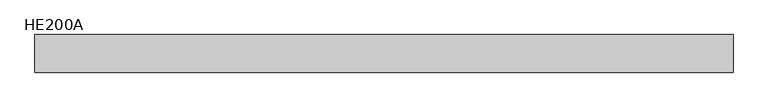
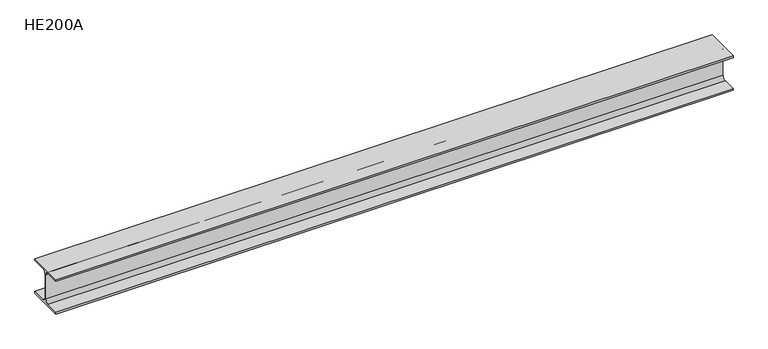
"""IFC4 building model written with IfcOpenShell, lengths in millimetres: beam geometry, HE200A."""

import ifcopenshell
import ifcopenshell.guid

model = None  # the IFC model being written
_history = None  # IfcOwnerHistory: only IFC2X3 demands one
_inside = {}  # id of a spatial element -> (the spatial element, [elements in it])
_under = {}  # id of a project, library or spatial element -> (it, [spatial elements below it])
_declared = {}  # id of a project -> (the project, [libraries it declares])
_typed = {}  # id of a type object -> (the type object, [elements of that type])
_made_of = {}  # id of a material, layer set ... -> (it, [elements and type objects made of it])


def new_model(schema):
    """Start an empty IFC model of exactly this schema.

    Asked for "IFC4X3", IfcOpenShell would pick the latest addendum, in which some entities
    have other attributes; the version numbers below select the first issue.
    IFC2X3 requires an IfcOwnerHistory on every rooted entity: one is made here for all.
    """
    global model, _history
    if schema == "IFC4X3":
        model = ifcopenshell.file(schema_version=(4, 3, 0, 0))
    else:
        model = ifcopenshell.file(schema=schema)
    _inside.clear()
    _under.clear()
    _declared.clear()
    _typed.clear()
    _made_of.clear()
    _history = None
    if model.schema == "IFC2X3":
        org = make("IfcOrganization", Name="unknown")
        user = make(
            "IfcPersonAndOrganization",
            ThePerson=make("IfcPerson", FamilyName="unknown"),
            TheOrganization=org,
        )
        app = make(
            "IfcApplication",
            ApplicationDeveloper=org,
            Version="unknown",
            ApplicationFullName="unknown",
            ApplicationIdentifier="unknown",
        )
        _history = make(
            "IfcOwnerHistory",
            OwningUser=user,
            OwningApplication=app,
            ChangeAction="ADDED",
            CreationDate=0,
        )
    return model


def make(cls, **values):
    """One entity of the class cls with the attributes given. An attribute that is None is left unset."""
    return model.create_entity(
        cls, **{name: value for name, value in values.items() if value is not None}
    )


def rooted(cls, **values):
    """An entity with a GlobalId (a new one), such as an element, a storey or a relation."""
    return make(cls, GlobalId=ifcopenshell.guid.new(), OwnerHistory=_history, **values)


def si_unit(unit_type, name, prefix=None):
    """IfcSIUnit, for example si_unit("LENGTHUNIT", "METRE", prefix="MILLI")."""
    return make("IfcSIUnit", UnitType=unit_type, Prefix=prefix, Name=name)


def assignment(units):
    """IfcUnitAssignment: the units of a project."""
    return None if units is None else make("IfcUnitAssignment", Units=units)


def point(xyz):
    """IfcCartesianPoint."""
    return None if xyz is None else make("IfcCartesianPoint", Coordinates=xyz)


def direction(xyz):
    """IfcDirection."""
    return None if xyz is None else make("IfcDirection", DirectionRatios=xyz)


def frame(location, z_axis=None, x_axis=None):
    """IfcAxis2Placement3D, a coordinate frame: its origin and axes. An axis left out is left unset."""
    return make(
        "IfcAxis2Placement3D",
        Location=point(location),
        Axis=direction(z_axis),
        RefDirection=direction(x_axis),
    )


def frame_2d(location, x_axis=None):
    """IfcAxis2Placement2D, a coordinate frame in the plane: its origin and x axis."""
    return make(
        "IfcAxis2Placement2D", Location=point(location), RefDirection=direction(x_axis)
    )


def origin():
    """The frame at (0, 0, 0) with its axes left unset."""
    return frame((0.0, 0.0, 0.0))


def place(relative_to, where):
    """IfcLocalPlacement: puts the frame where relative to a parent placement (None: the world)."""
    return make(
        "IfcLocalPlacement", PlacementRelTo=relative_to, RelativePlacement=where
    )


def context(
    kind, dimensions, precision=None, world=None, true_north=None, identifier=None
):
    """IfcGeometricRepresentationContext, for example the 3D "Model" context."""
    return make(
        "IfcGeometricRepresentationContext",
        ContextIdentifier=identifier,
        ContextType=kind,
        CoordinateSpaceDimension=dimensions,
        Precision=precision,
        WorldCoordinateSystem=world,
        TrueNorth=true_north,
    )


def project(units=None, contexts=None):
    """IfcProject with its units and contexts."""
    return rooted(
        "IfcProject",
        Name="project",
        RepresentationContexts=contexts,
        UnitsInContext=assignment(units),
    )


def spatial(cls, under=None, at=None, **own):
    """A site, building, storey or space (cls), placed at a placement, below another one or the project."""
    s = rooted(cls, ObjectPlacement=at, **own)
    if under is not None:
        _under.setdefault(under.id(), (under, []))[1].append(s)
    return s


def polyline(points):
    """IfcPolyline through the points."""
    return make("IfcPolyline", Points=[point(p) for p in points])


def circle_curve(where, radius):
    """IfcCircle in the frame where."""
    return make("IfcCircle", Position=where, Radius=radius)


def trimmed(basis, trim1, trim2, sense, master):
    """IfcTrimmedCurve: the piece of a basis curve between two trims."""
    return make(
        "IfcTrimmedCurve",
        BasisCurve=basis,
        Trim1=trim1,
        Trim2=trim2,
        SenseAgreement=sense,
        MasterRepresentation=master,
    )


def segment(curve, same_sense, transition):
    """IfcCompositeCurveSegment."""
    return make(
        "IfcCompositeCurveSegment",
        Transition=transition,
        SameSense=same_sense,
        ParentCurve=curve,
    )


def composite_curve(segments, self_intersect=None):
    """IfcCompositeCurve: segments joined end to end."""
    return make("IfcCompositeCurve", Segments=segments, SelfIntersect=self_intersect)


def outline(outer, holes=None, kind="AREA"):
    """IfcArbitraryClosedProfileDef: a profile drawn as a closed curve; with holes, ...WithVoids."""
    if holes is None:
        return make("IfcArbitraryClosedProfileDef", ProfileType=kind, OuterCurve=outer)
    return make(
        "IfcArbitraryProfileDefWithVoids",
        ProfileType=kind,
        OuterCurve=outer,
        InnerCurves=holes,
    )


def extrude(swept, where, along, depth):
    """IfcExtrudedAreaSolid: the profile swept, set in the frame where, extruded along a direction by depth."""
    return make(
        "IfcExtrudedAreaSolid",
        SweptArea=swept,
        Position=where,
        ExtrudedDirection=direction(along),
        Depth=depth,
    )


def shape(context_of_items, identifier, shape_type, items):
    """IfcShapeRepresentation: the items that make up one representation, for example the "Body"."""
    return make(
        "IfcShapeRepresentation",
        ContextOfItems=context_of_items,
        RepresentationIdentifier=identifier,
        RepresentationType=shape_type,
        Items=items,
    )


def source(mapping_origin, context_of_items, identifier, shape_type, items):
    """IfcRepresentationMap: a shape defined once, which mapped items show again and again."""
    return make(
        "IfcRepresentationMap",
        MappingOrigin=mapping_origin,
        MappedRepresentation=shape(context_of_items, identifier, shape_type, items),
    )


def transform(
    local_origin,
    x_axis=None,
    y_axis=None,
    z_axis=None,
    scale=None,
    scale2=None,
    scale3=None,
    uniform=True,
):
    """IfcCartesianTransformationOperator3D, or its non-uniform kind. x_axis, y_axis, z_axis: its Axis1, 2, 3."""
    if uniform:
        return make(
            "IfcCartesianTransformationOperator3D",
            Axis1=direction(x_axis),
            Axis2=direction(y_axis),
            LocalOrigin=point(local_origin),
            Scale=scale,
            Axis3=direction(z_axis),
        )
    return make(
        "IfcCartesianTransformationOperator3DnonUniform",
        Axis1=direction(x_axis),
        Axis2=direction(y_axis),
        LocalOrigin=point(local_origin),
        Scale=scale,
        Axis3=direction(z_axis),
        Scale2=scale2,
        Scale3=scale3,
    )


def mapped(mapping_source, mapping_target):
    """IfcMappedItem: shows the shape of a source again, moved by a transform."""
    return make(
        "IfcMappedItem", MappingSource=mapping_source, MappingTarget=mapping_target
    )


def made_of(thing, what):
    """Note that an element or type object is made of a material, layer set ...; save() writes the relation."""
    if what is not None:
        _made_of.setdefault(what.id(), (what, []))[1].append(thing)
    return thing


def element(
    cls,
    number,
    at=None,
    inside=None,
    cuts=None,
    type_object=None,
    material=None,
    context=None,
    identifier="Body",
    shape_type=None,
    held_by="IfcProductDefinitionShape",
    body=None,
    shapes=None,
    **own,
):
    """One element of the class cls, such as IfcWall. Its Tag is "e" and its number.

    at: its placement. inside: the storey or other place that contains it. cuts: it is an
    opening in that element (IfcRelVoidsElement). A single representation is given by context,
    identifier, shape_type and body (its items); several are given by shapes. held_by: the class
    of the entity that holds the representations. save() writes the other relations.
    """
    e = rooted(cls, Tag="e%d" % number, ObjectPlacement=at, **own)
    if body is not None:
        shapes = [shape(context, identifier, shape_type, body)]
    if shapes is not None:
        e.Representation = make(held_by, Representations=shapes)
    if inside is not None:
        _inside.setdefault(inside.id(), (inside, []))[1].append(e)
    if cuts is not None:
        rooted(
            "IfcRelVoidsElement", RelatingBuildingElement=cuts, RelatedOpeningElement=e
        )
    if type_object is not None:
        _typed.setdefault(type_object.id(), (type_object, []))[1].append(e)
    return made_of(e, material)


def aggregate(whole, parts):
    """IfcRelAggregates: a whole, such as a stair, and the parts it consists of."""
    return rooted("IfcRelAggregates", RelatingObject=whole, RelatedObjects=parts)


def save(model, path):
    """Write the relations noted so far, then the file.

    IfcRelAggregates (storeys below a building ...), IfcRelContainedInSpatialStructure (elements
    in a storey), IfcRelDefinesByType, IfcRelAssociatesMaterial and IfcRelDeclares: one each for
    every whole, place, type object, material and project.
    """
    for whole, parts in _under.values():
        aggregate(whole, parts)
    for where, things in _inside.values():
        rooted(
            "IfcRelContainedInSpatialStructure",
            RelatedElements=things,
            RelatingStructure=where,
        )
    for kind, things in _typed.values():
        rooted("IfcRelDefinesByType", RelatedObjects=things, RelatingType=kind)
    for what, things in _made_of.values():
        rooted("IfcRelAssociatesMaterial", RelatedObjects=things, RelatingMaterial=what)
    for by, libraries in _declared.values():
        rooted("IfcRelDeclares", RelatingContext=by, RelatedDefinitions=libraries)
    model.write(path)


def he200a_64d59b94(model_context):
    return source(origin(), model_context, "Body", "SweptSolid", [
        extrude(outline(composite_curve([segment(polyline([(100.0, -90.0), (100.0, -100.0), (-100.0, -100.0), (-100.0, -90.0), (-24.0, -90.0)]), True, "CONTINUOUS"), segment(trimmed(circle_curve(frame_2d((-24.0, -70.0)), 20.0), [point((-24.0, -90.0))], [point((-4.0, -70.0))], True, "CARTESIAN"), True, "CONTINUOUS"), segment(polyline([(-4.0, -70.0), (-4.0, 70.0)]), True, "CONTINUOUS"), segment(trimmed(circle_curve(frame_2d((-24.0, 70.0)), 20.0), [point((-4.0, 70.0))], [point((-24.0, 90.0))], True, "CARTESIAN"), True, "CONTINUOUS"), segment(polyline([(-24.0, 90.0), (-100.0, 90.0), (-100.0, 100.0), (100.0, 100.0), (100.0, 90.0), (24.0, 90.0)]), True, "CONTINUOUS"), segment(trimmed(circle_curve(frame_2d((24.0, 70.0)), 20.0), [point((24.0, 90.0))], [point((4.0, 70.0))], True, "CARTESIAN"), True, "CONTINUOUS"), segment(polyline([(4.0, 70.0), (4.0, -70.0)]), True, "CONTINUOUS"), segment(trimmed(circle_curve(frame_2d((24.0, -70.0)), 20.0), [point((4.0, -70.0))], [point((24.0, -90.0))], True, "CARTESIAN"), True, "CONTINUOUS"), segment(polyline([(24.0, -90.0), (100.0, -90.0)]), True, "CONTINUOUS")], self_intersect=False)), frame((-1897.0, 0.0, 0.0), z_axis=(1.0, 0.0, 0.0), x_axis=(0.0, 1.0, 0.0)), (0.0, 0.0, 1.0), 3712.0),
    ])


if __name__ == "__main__":
    model = new_model("IFC4")
    model_context = context("Model", 3, world=origin())
    ifc_project = project(units=[si_unit("LENGTHUNIT", "METRE", prefix="MILLI")], contexts=[model_context])
    site = spatial("IfcSite", under=ifc_project)
    building = spatial("IfcBuilding", under=site)
    placement = place(None, origin())
    he200a_shape = he200a_64d59b94(model_context)
    element("IfcBeam", 1, ObjectType="HE200A", at=placement, inside=building, context=model_context, shape_type="MappedRepresentation", body=[
        mapped(he200a_shape, transform((0.0, 0.0, 0.0), x_axis=(1.0, 0.0, 0.0), y_axis=(0.0, 1.0, 0.0), z_axis=(0.0, 0.0, 1.0))),
    ])
    save(model, "model.ifc")
